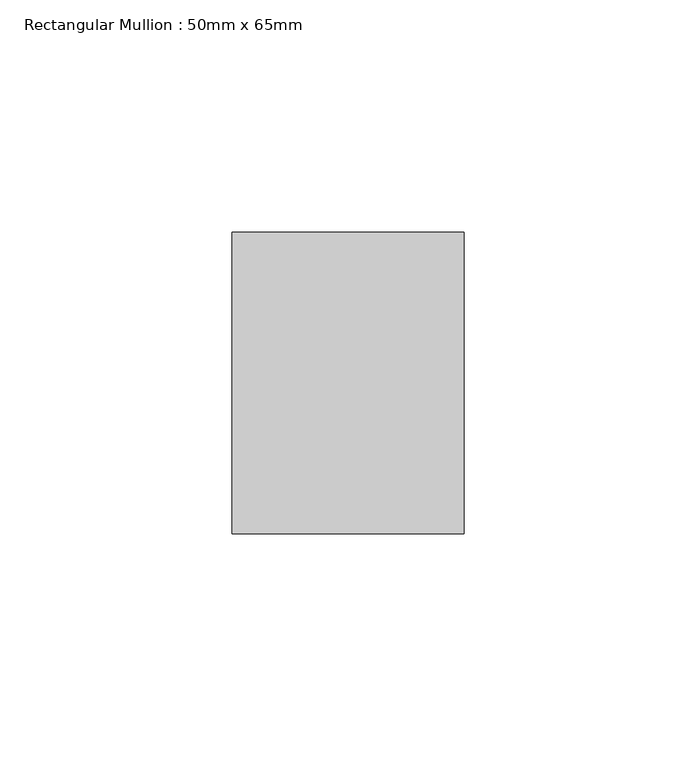
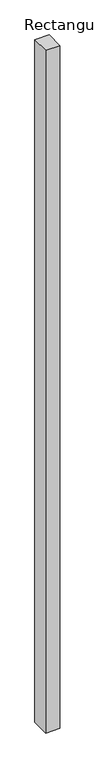
"""IFC4 building model written with IfcOpenShell, lengths in millimetres: member geometry, Rectangular Mullion : 50mm x 65mm."""

from ifc_helpers import new_model, si_unit, frame, origin, place, context, project, spatial, polyline, outline, extrude, source, transform, mapped, element, save


def rectangular_mullion_50mm_x_65mm_047ddd54(model_context):
    return source(origin(), model_context, "Body", "SweptSolid", [
        extrude(outline(polyline([(25.0, 32.5), (25.0, -32.5), (-25.0, -32.5), (-25.0, 32.5), (25.0, 32.5)])), frame((0.0, 0.0, -2540.0), z_axis=(0.0, 0.0, 1.0), x_axis=(1.0, 0.0, 0.0)), (0.0, 0.0, 1.0), 2540.0),
    ])


if __name__ == "__main__":
    model = new_model("IFC4")
    model_context = context("Model", 3, world=origin())
    ifc_project = project(units=[si_unit("LENGTHUNIT", "METRE", prefix="MILLI")], contexts=[model_context])
    site = spatial("IfcSite", under=ifc_project)
    building = spatial("IfcBuilding", under=site)
    placement = place(None, origin())
    rectangular_mullion_50mm_x_65mm_shape = rectangular_mullion_50mm_x_65mm_047ddd54(model_context)
    element("IfcMember", 1, ObjectType="Rectangular Mullion : 50mm x 65mm", at=placement, inside=building, context=model_context, shape_type="MappedRepresentation", body=[
        mapped(rectangular_mullion_50mm_x_65mm_shape, transform((0.0, 0.0, 0.0), x_axis=(1.0, 0.0, 0.0), y_axis=(0.0, 1.0, 0.0), z_axis=(0.0, 0.0, 1.0))),
    ])
    save(model, "model.ifc")
